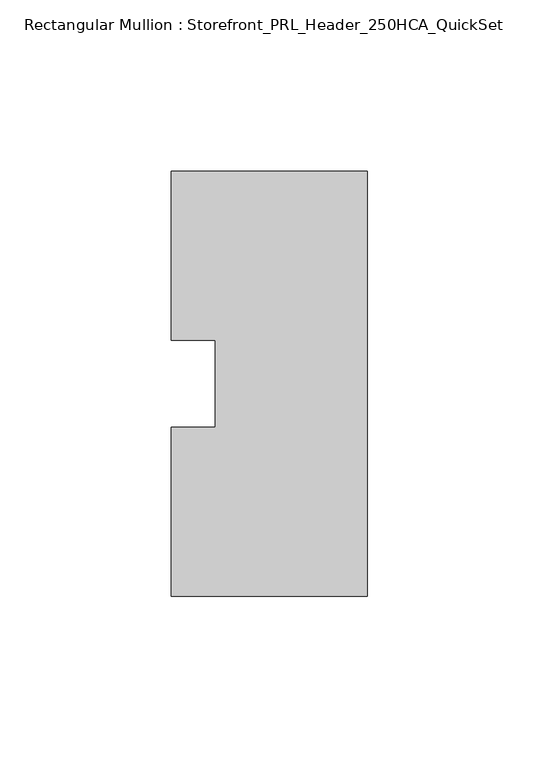
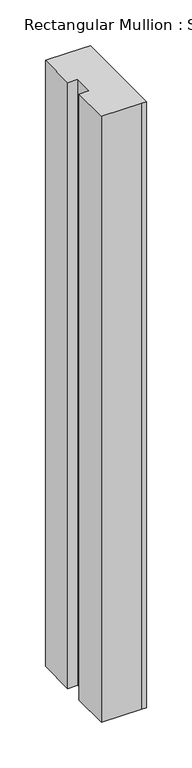
"""IFC4 building model written with IfcOpenShell, lengths in millimetres: member geometry, Rectangular Mullion : Storefront_PRL_Header_250HCA_QuickSet."""

from ifc_helpers import new_model, si_unit, frame, origin, place, context, project, spatial, polyline, outline, extrude, source, transform, mapped, element, save


def rectangular_mullion_storefront_prl_header_250hca_quickset_aee9c2df(model_context):
    return source(origin(), model_context, "Body", "SweptSolid", [
        extrude(outline(polyline([(-44.45, -12.7), (-44.45, 12.7), (-57.15, 12.7), (-57.15, 61.9125), (-7.7254924, 61.9125), (0.0, 61.9125), (0.0, -61.9125), (-6.35, -61.9125), (-57.15, -61.9125), (-57.15, -12.7), (-44.45, -12.7)])), frame((0.0, 0.0, -812.8), z_axis=(0.0, 0.0, 1.0), x_axis=(1.0, 0.0, 0.0)), (0.0, 0.0, 1.0), 812.8),
    ])


if __name__ == "__main__":
    model = new_model("IFC4")
    model_context = context("Model", 3, world=origin())
    ifc_project = project(units=[si_unit("LENGTHUNIT", "METRE", prefix="MILLI")], contexts=[model_context])
    site = spatial("IfcSite", under=ifc_project)
    building = spatial("IfcBuilding", under=site)
    placement = place(None, origin())
    rectangular_mullion_storefront_prl_header_250hca_quickset_shape = rectangular_mullion_storefront_prl_header_250hca_quickset_aee9c2df(model_context)
    element("IfcMember", 1, ObjectType="Rectangular Mullion : Storefront_PRL_Header_250HCA_QuickSet", at=placement, inside=building, context=model_context, shape_type="MappedRepresentation", body=[
        mapped(rectangular_mullion_storefront_prl_header_250hca_quickset_shape, transform((0.0, 0.0, 0.0), x_axis=(1.0, 0.0, 0.0), y_axis=(0.0, 1.0, 0.0), z_axis=(0.0, 0.0, 1.0))),
    ])
    save(model, "model.ifc")
